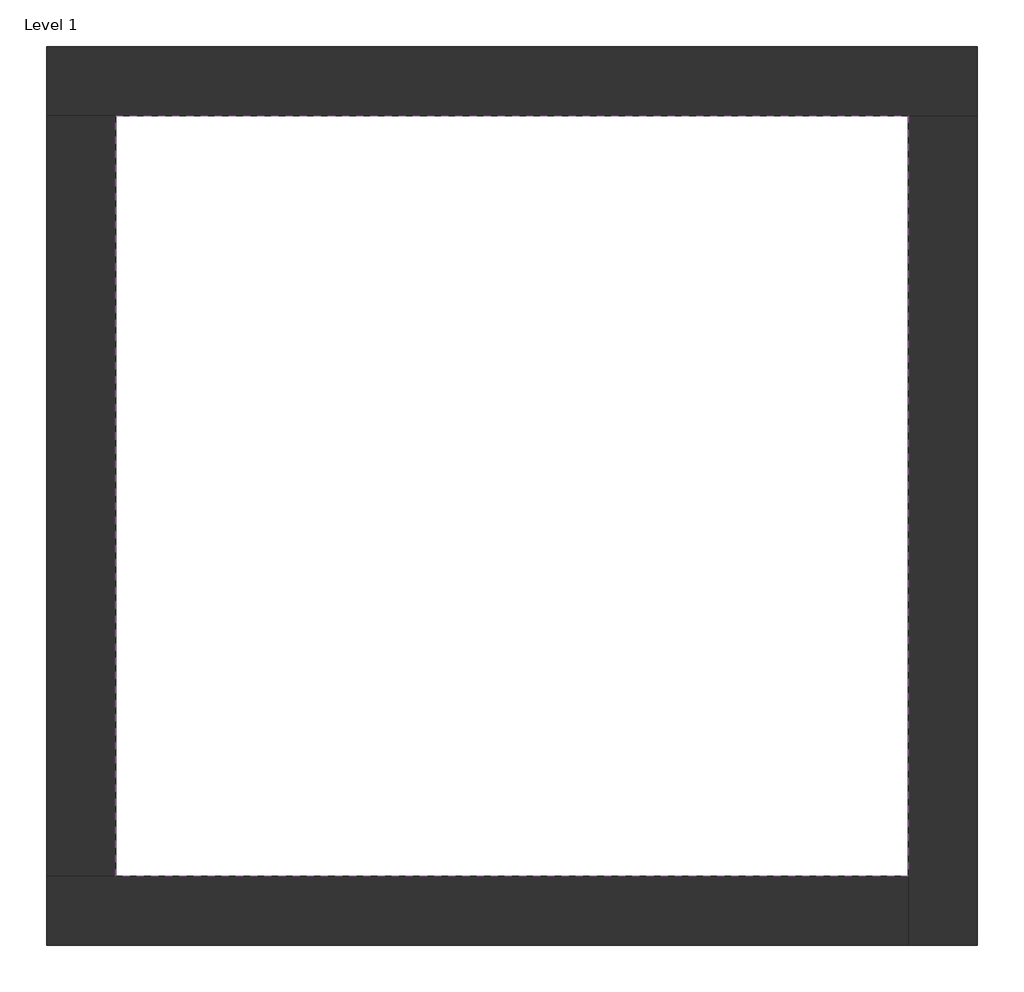
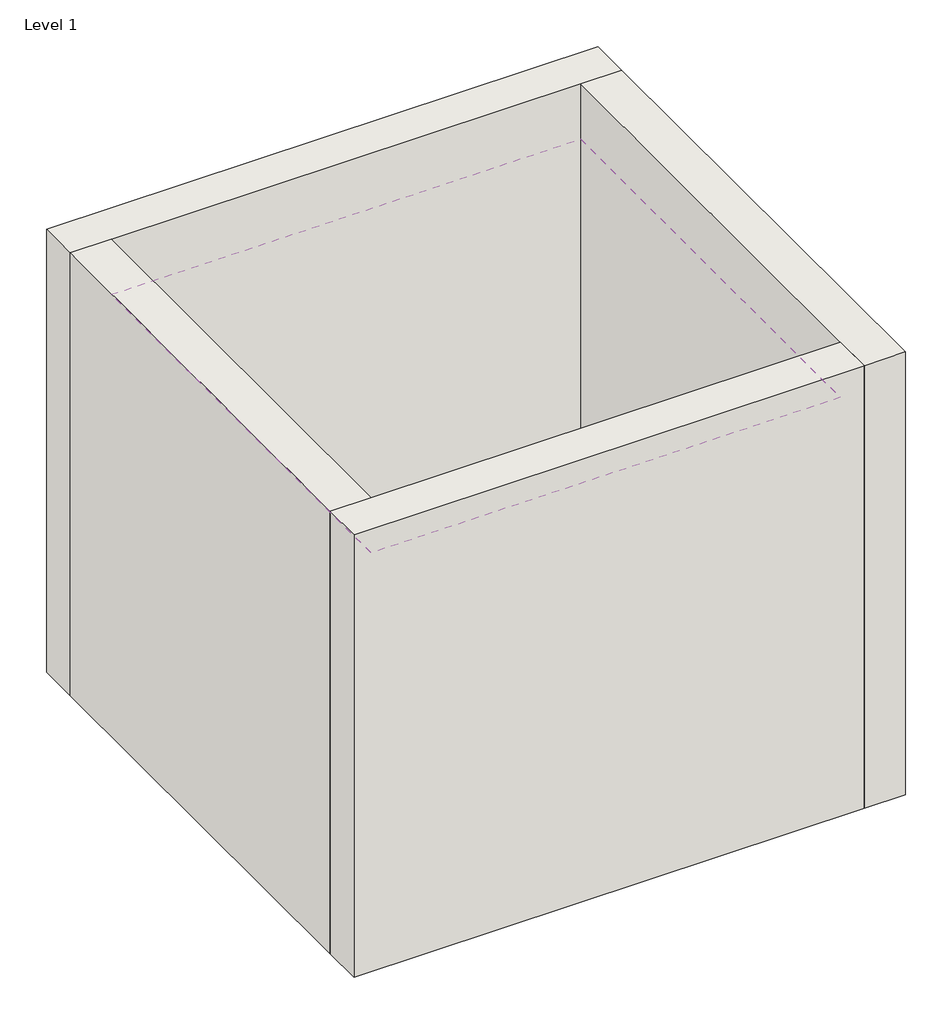
# One storey: 4 walls, 1 covering.
"""IFC4 building model written with IfcOpenShell, lengths in millimetres."""

from ifc_helpers import new_model, si_unit, frame, origin, origin_with_axes, place, context, project, spatial, polyline, outline, extrude, faceted_brep, element, save

model = new_model("IFC4")

# Units and contexts
model_context = context("Model", 3, world=origin())
ifc_project = project(units=[si_unit("LENGTHUNIT", "METRE", prefix="MILLI")], contexts=[model_context])

# Site, building, storey
site = spatial("IfcSite", under=ifc_project)
building = spatial("IfcBuilding", under=site)
storey = spatial("IfcBuildingStorey", under=building, Name="Level 1", Elevation=0.0)

# Covering
placement = place(None, origin())
element("IfcCovering", 1, at=placement, inside=storey, context=model_context, shape_type="SweptSolid", body=[
    extrude(outline(polyline([(-14894.8573003, 6921.2750283), (-10882.3573003, 6921.2750283), (-10882.3573003, 3071.2750283), (-14894.8573003, 3071.2750283), (-14894.8573003, 6921.2750283)])), frame((0.0, 0.0, 3500.0), z_axis=(0.0, 0.0, 1.0), x_axis=(1.0, 0.0, 0.0)), (0.0, 0.0, 1.0), 301.5),
])

# Walls
element("IfcWall", 2, ObjectType="Exterior - Brick on Mtl. Stud", at=placement, inside=storey, context=model_context, shape_type="Brep", body=[
    faceted_brep([(-15244.8573003, 6921.2750283, 0.0), (-14894.8573003, 6921.2750283, 0.0), (-10882.3573003, 6921.2750283, 0.0), (-10532.3573003, 6921.2750283, 0.0), (-10532.3573003, 6921.2750283, 4000.0), (-10882.3573003, 6921.2750283, 4000.0), (-14894.8573003, 6921.2750283, 4000.0), (-15244.8573003, 6921.2750283, 4000.0), (-15244.8573003, 7271.2750283, 0.0), (-15244.8573003, 7271.2750283, 4000.0), (-10532.3573003, 7271.2750283, 4000.0), (-10532.3573003, 7271.2750283, 0.0)], [[[0, 1, 2, 3, 4, 5, 6, 7]], [[8, 9, 10, 11]], [[3, 2, 1, 0, 8, 11]], [[7, 6, 5, 4, 10, 9]], [[0, 7, 9, 8]], [[4, 3, 11, 10]]]),
])
element("IfcWall", 3, ObjectType="Exterior - Brick on Mtl. Stud", at=placement, inside=storey, context=model_context, shape_type="Brep", body=[
    faceted_brep([(-10882.3573003, 6921.2750283, 0.0), (-10882.3573003, 3071.2750283, 0.0), (-10882.3573003, 2721.2750283, 0.0), (-10882.3573003, 2721.2750283, 4000.0), (-10882.3573003, 3071.2750283, 4000.0), (-10882.3573003, 6921.2750283, 4000.0), (-10532.3573003, 6921.2750283, 0.0), (-10532.3573003, 6921.2750283, 4000.0), (-10532.3573003, 2721.2750283, 4000.0), (-10532.3573003, 2721.2750283, 0.0)], [[[0, 1, 2, 3, 4, 5]], [[6, 7, 8, 9]], [[2, 1, 0, 6, 9]], [[5, 4, 3, 8, 7]], [[3, 2, 9, 8]], [[0, 5, 7, 6]]]),
])
element("IfcWall", 4, ObjectType="Exterior - Brick on Mtl. Stud", at=placement, inside=storey, context=model_context, shape_type="Brep", body=[
    faceted_brep([(-10882.3573003, 3071.2750283, 0.0), (-14894.8573003, 3071.2750283, 0.0), (-15244.8573003, 3071.2750283, 0.0), (-15244.8573003, 3071.2750283, 4000.0), (-14894.8573003, 3071.2750283, 4000.0), (-10882.3573003, 3071.2750283, 4000.0), (-10882.3573003, 2721.2750283, 0.0), (-10882.3573003, 2721.2750283, 4000.0), (-15244.8573003, 2721.2750283, 4000.0), (-15244.8573003, 2721.2750283, 0.0)], [[[0, 1, 2, 3, 4, 5]], [[6, 7, 8, 9]], [[2, 1, 0, 6, 9]], [[5, 4, 3, 8, 7]], [[3, 2, 9, 8]], [[0, 5, 7, 6]]]),
])
element("IfcWall", 5, ObjectType="Exterior - Brick on Mtl. Stud", at=placement, inside=storey, context=model_context, shape_type="SweptSolid", body=[
    extrude(outline(polyline([(-14894.8573003, 6921.2750283), (-14894.8573003, 3071.2750283), (-15244.8573003, 3071.2750283), (-15244.8573003, 6921.2750283), (-14894.8573003, 6921.2750283)])), origin_with_axes(), (0.0, 0.0, 1.0), 4000.0),
])

save(model, "model.ifc")
